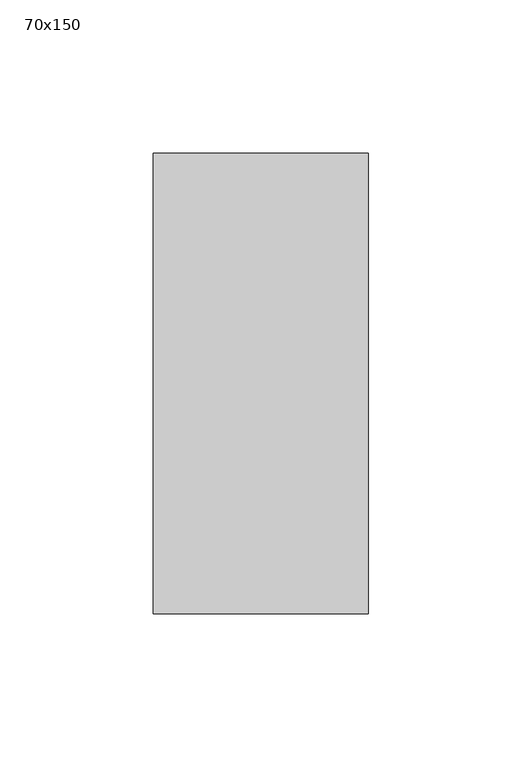
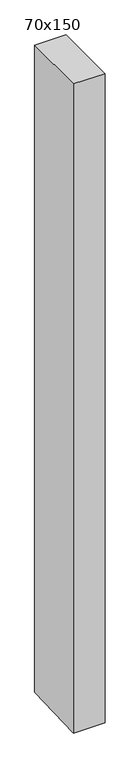
"""IFC4 building model written with IfcOpenShell, lengths in millimetres: member geometry, 70x150."""

from ifc_helpers import new_model, si_unit, frame, origin, place, context, project, spatial, polyline, outline, extrude, source, transform, mapped, element, save


def member_70x150_899a1697(model_context):
    return source(origin(), model_context, "Body", "SweptSolid", [
        extrude(outline(polyline([(-75.0, 0.0), (75.0, 0.0), (75.0, -1523.7804259), (-75.0, -1528.6925762), (-75.0, 0.0)])), frame((-70.0, 0.0, 0.0), z_axis=(1.0, 0.0, 0.0), x_axis=(0.0, 1.0, 0.0)), (0.0, 0.0, 1.0), 70.0),
    ])


if __name__ == "__main__":
    model = new_model("IFC4")
    model_context = context("Model", 3, world=origin())
    ifc_project = project(units=[si_unit("LENGTHUNIT", "METRE", prefix="MILLI")], contexts=[model_context])
    site = spatial("IfcSite", under=ifc_project)
    building = spatial("IfcBuilding", under=site)
    placement = place(None, origin())
    member_70x150_shape = member_70x150_899a1697(model_context)
    element("IfcMember", 1, ObjectType="70x150", at=placement, inside=building, context=model_context, shape_type="MappedRepresentation", body=[
        mapped(member_70x150_shape, transform((0.0, 0.0, 0.0), x_axis=(1.0, 0.0, 0.0), y_axis=(0.0, 1.0, 0.0), z_axis=(0.0, 0.0, 1.0))),
    ])
    save(model, "model.ifc")
